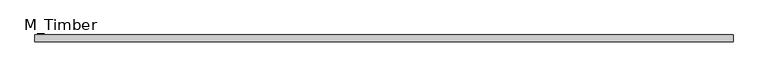
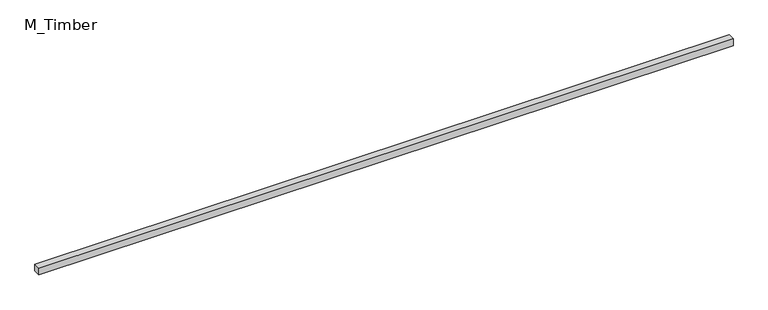
"""IFC4 building model written with IfcOpenShell, lengths in millimetres: beam geometry, M_Timber."""

from ifc_helpers import new_model, si_unit, frame, origin, place, context, project, spatial, polyline, outline, extrude, source, transform, mapped, element, save


def m_timber_6eab44b6(model_context):
    return source(origin(), model_context, "Body", "SweptSolid", [
        extrude(outline(polyline([(2972.6853149, 30.0), (2972.6853149, -30.0), (-2972.6853149, -30.0), (-2972.6853149, 30.0), (2972.6853149, 30.0)])), frame((0.0, 0.0, -30.0), z_axis=(0.0, 0.0, 1.0), x_axis=(1.0, 0.0, 0.0)), (0.0, 0.0, 1.0), 60.0),
    ])


if __name__ == "__main__":
    model = new_model("IFC4")
    model_context = context("Model", 3, world=origin())
    ifc_project = project(units=[si_unit("LENGTHUNIT", "METRE", prefix="MILLI")], contexts=[model_context])
    site = spatial("IfcSite", under=ifc_project)
    building = spatial("IfcBuilding", under=site)
    placement = place(None, origin())
    m_timber_shape = m_timber_6eab44b6(model_context)
    element("IfcBeam", 1, ObjectType="M_Timber", at=placement, inside=building, context=model_context, shape_type="MappedRepresentation", body=[
        mapped(m_timber_shape, transform((0.0, 0.0, 0.0), x_axis=(1.0, 0.0, 0.0), y_axis=(0.0, 1.0, 0.0), z_axis=(0.0, 0.0, 1.0))),
    ])
    save(model, "model.ifc")
